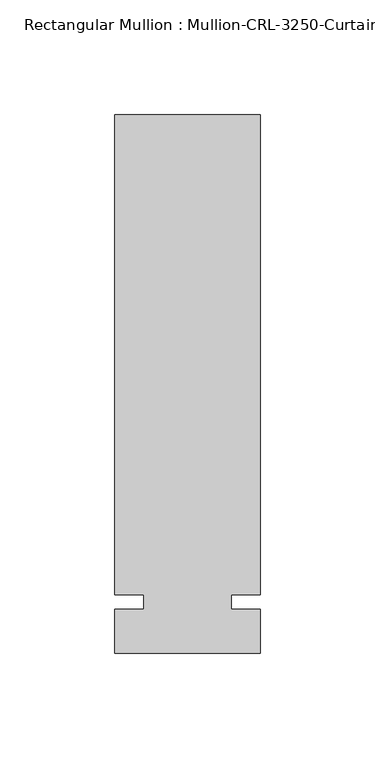
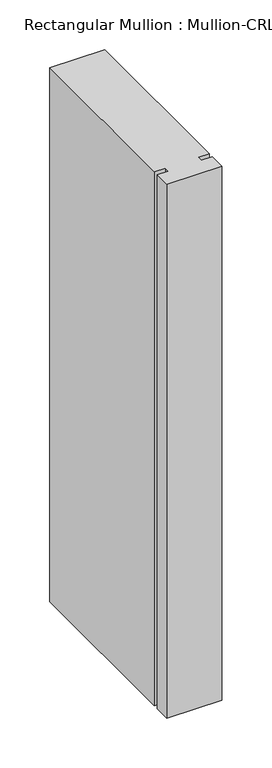
"""IFC4 building model written with IfcOpenShell, lengths in millimetres: member geometry."""

from ifc_helpers import new_model, si_unit, frame, origin, place, context, project, spatial, polyline, outline, extrude, source, transform, mapped, element, save


def member_85be799b(model_context):
    return source(origin(), model_context, "Body", "SweptSolid", [
        extrude(outline(polyline([(31.7499985, -3.175), (31.7499985, -22.2254168), (-31.7499985, -22.2254168), (-31.7499985, -3.175), (-19.0499985, -3.175), (-19.0499985, 3.175), (-31.7499985, 3.175), (-31.7499985, 212.7246169), (31.7499985, 212.7246169), (31.7499985, 3.175), (19.0499985, 3.175), (19.0499985, -3.175), (31.7499985, -3.175)])), frame((0.0, 0.0, -653.8666746), z_axis=(0.0, 0.0, 1.0), x_axis=(1.0, 0.0, 0.0)), (0.0, 0.0, 1.0), 653.8666746),
    ])


if __name__ == "__main__":
    model = new_model("IFC4")
    model_context = context("Model", 3, world=origin())
    ifc_project = project(units=[si_unit("LENGTHUNIT", "METRE", prefix="MILLI")], contexts=[model_context])
    site = spatial("IfcSite", under=ifc_project)
    building = spatial("IfcBuilding", under=site)
    placement = place(None, origin())
    member_shape = member_85be799b(model_context)
    element("IfcMember", 1, ObjectType="Rectangular Mullion : Mullion-CRL-3250-Curtain_Wall-Intermediate_Horizontal-8\"", at=placement, inside=building, context=model_context, shape_type="MappedRepresentation", body=[
        mapped(member_shape, transform((0.0, 0.0, 0.0), x_axis=(1.0, 0.0, 0.0), y_axis=(0.0, 1.0, 0.0), z_axis=(0.0, 0.0, 1.0))),
    ])
    save(model, "model.ifc")
